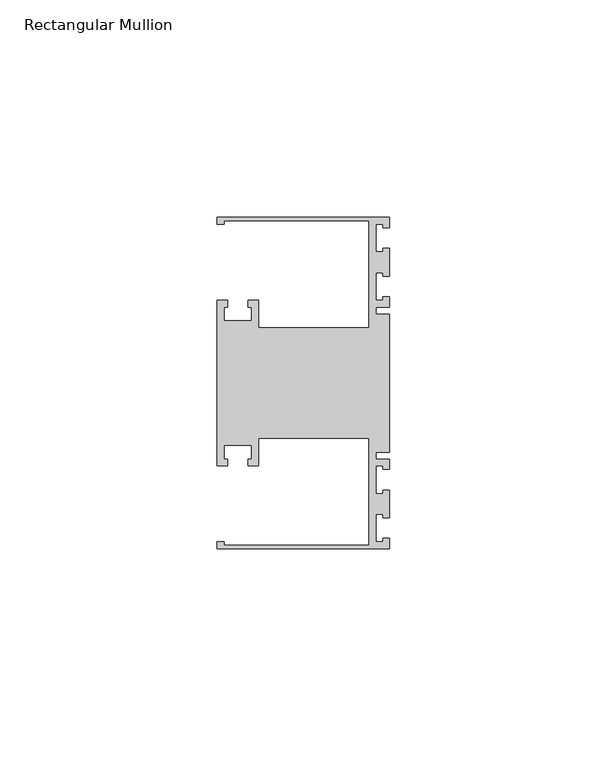
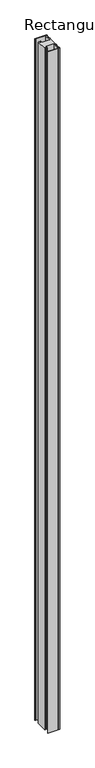
"""IFC4 building model written with IfcOpenShell, lengths in millimetres: member geometry, Rectangular Mullion."""

from ifc_helpers import new_model, si_unit, frame, origin, place, context, project, spatial, polyline, outline, extrude, source, transform, mapped, element, save


def rectangular_mullion_024f0522(model_context):
    return source(origin(), model_context, "Body", "SweptSolid", [
        extrude(outline(polyline([(0.0, 38.1), (0.0, 35.71875), (-1.4999946, 35.71875), (-1.4999946, 36.5125), (-3.175, 36.5125), (-3.175, 30.1625), (-1.4999946, 30.1625), (-1.4999946, 30.95625), (0.0, 30.95625), (0.0, 24.60625), (-1.4999946, 24.60625), (-1.4999946, 25.4), (-3.175, 25.4), (-3.175, 19.05), (-1.4999946, 19.05), (-1.4999946, 19.84375), (0.0, 19.84375), (0.0, 17.4625), (-3.175, 17.4625), (-3.175, 15.875), (0.0, 15.875), (0.0, -15.875), (-3.175, -15.875), (-3.175, -17.4625), (0.0, -17.4625), (0.0, -19.84375), (-1.4999946, -19.84375), (-1.4999946, -19.05), (-3.175, -19.05), (-3.175, -25.4), (-1.4999946, -25.4), (-1.4999946, -24.60625), (0.0, -24.60625), (0.0, -30.95625), (-1.4999946, -30.95625), (-1.4999946, -30.1625), (-3.175, -30.1625), (-3.175, -36.5125), (-1.4999946, -36.5125), (-1.4999946, -35.71875), (0.0, -35.71875), (0.0, -38.1), (-39.6875, -38.1), (-39.6875, -36.5125), (-38.1, -36.5125), (-38.1, -37.30625), (-4.7625, -37.30625), (-4.7625, -12.7), (-30.1625, -12.7), (-30.1625, -19.05), (-32.54375, -19.05), (-32.54375, -17.4625), (-31.75, -17.4625), (-31.75, -14.2875), (-38.1, -14.2875), (-38.1, -17.4625), (-37.30625, -17.4625), (-37.30625, -19.05), (-39.6875, -19.05), (-39.6875, 19.05), (-37.30625, 19.05), (-37.30625, 17.4625), (-38.1, 17.4625), (-38.1, 14.2875), (-31.75, 14.2875), (-31.75, 17.4625), (-32.54375, 17.4625), (-32.54375, 19.05), (-30.1625, 19.05), (-30.1625, 12.7), (-4.7625, 12.7), (-4.7625, 37.30625), (-38.1, 37.30625), (-38.1, 36.5125), (-39.6875, 36.5125), (-39.6875, 38.1), (0.0, 38.1)])), frame((0.0, 0.0, -2438.4), z_axis=(0.0, 0.0, 1.0), x_axis=(1.0, 0.0, 0.0)), (0.0, 0.0, 1.0), 2438.4),
    ])


if __name__ == "__main__":
    model = new_model("IFC4")
    model_context = context("Model", 3, world=origin())
    ifc_project = project(units=[si_unit("LENGTHUNIT", "METRE", prefix="MILLI")], contexts=[model_context])
    site = spatial("IfcSite", under=ifc_project)
    building = spatial("IfcBuilding", under=site)
    placement = place(None, origin())
    rectangular_mullion_shape = rectangular_mullion_024f0522(model_context)
    element("IfcMember", 1, ObjectType="Rectangular Mullion", at=placement, inside=building, context=model_context, shape_type="MappedRepresentation", body=[
        mapped(rectangular_mullion_shape, transform((0.0, 0.0, 0.0), x_axis=(1.0, 0.0, 0.0), y_axis=(0.0, 1.0, 0.0), z_axis=(0.0, 0.0, 1.0))),
    ])
    save(model, "model.ifc")
